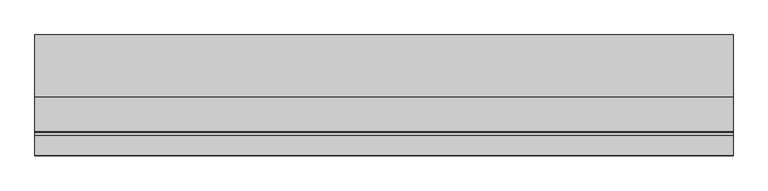
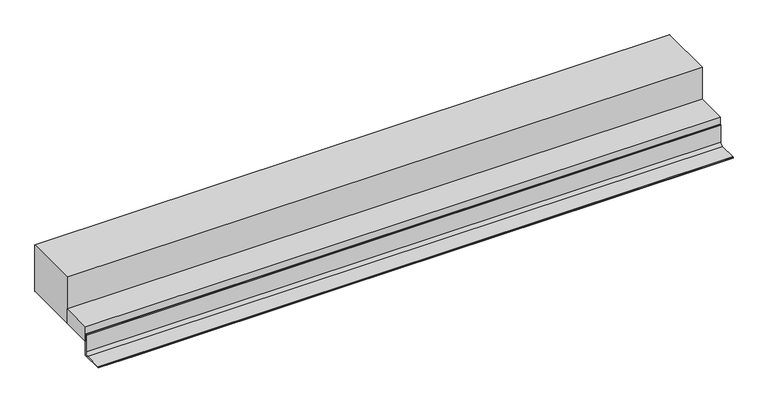
"""IFC4 building model written with IfcOpenShell, lengths in millimetres: beam geometry."""

from ifc_helpers import new_model, si_unit, frame, origin, place, context, project, spatial, polyline, circle_curve, faceted_brep, source, transform, mapped, element, save
from ifc_brep_helpers import plane_surface, cylinder_surface, revolved_surface, advanced_brep


def beam_786a66da(model_context):
    return source(origin(), model_context, "Body", "SolidModel", [
        advanced_brep(
        [(395.814718, -5275.0, 6000.0), (395.814718, -5275.0, 6002.4745866), (395.814718, -5272.4745866, 6005.0), (395.814718, -5193.0410426, 6005.0), (395.814718, -5180.0, 6018.0410426), (395.814718, -5180.0, 6097.211754), (395.814718, -5177.211754, 6100.0), (395.814718, -5175.0, 6100.0), (395.814718, -5175.0, 6065.0), (395.814718, -5175.0, 6000.0), (3229.185282, -5275.0, 6000.0), (3229.185282, -5175.0, 6000.0), (3229.185282, -5175.0, 6065.0), (3229.185282, -5175.0, 6100.0), (3229.185282, -5177.211754, 6100.0), (3229.185282, -5180.0, 6097.211754), (3229.185282, -5180.0, 6018.0410426), (3229.185282, -5193.0410426, 6005.0), (3229.185282, -5272.4745866, 6005.0), (3229.185282, -5275.0, 6002.4745866), (497.5, -5175.0, 6000.0), (1547.5, -5175.0, 6000.0), (2637.5, -5175.0, 6000.0), (2637.5, -5275.0, 6000.0), (1482.5, -5275.0, 6000.0), (562.5, -5275.0, 6000.0)],
        [
            (0, 1),
            (1, 2, circle_curve(frame((395.814718, -5272.4745866, 6002.4745866), z_axis=(-1.0, 0.0, 0.0), x_axis=(0.0, 1.0, 0.0)), 2.5254134)),
            (2, 3),
            (3, 4, circle_curve(frame((395.814718, -5193.0410426, 6018.0410426), z_axis=(1.0, 0.0, 0.0), x_axis=(0.0, 1.0, 0.0)), 13.0410426)),
            (4, 5),
            (5, 6, circle_curve(frame((395.814718, -5177.211754, 6097.211754), z_axis=(-1.0, 0.0, 0.0), x_axis=(0.0, 1.0, 0.0)), 2.788246)),
            (6, 7),
            (7, 8),
            (8, 9),
            (9, 0),
            (10, 11),
            (11, 12),
            (12, 13),
            (13, 14),
            (14, 15, circle_curve(frame((3229.185282, -5177.211754, 6097.211754), z_axis=(1.0, 0.0, 0.0), x_axis=(0.0, 1.0, 0.0)), 2.788246)),
            (15, 16),
            (16, 17, circle_curve(frame((3229.185282, -5193.0410426, 6018.0410426), z_axis=(-1.0, 0.0, 0.0), x_axis=(0.0, 1.0, 0.0)), 13.0410426)),
            (17, 18),
            (18, 19, circle_curve(frame((3229.185282, -5272.4745866, 6002.4745866), z_axis=(1.0, 0.0, 0.0), x_axis=(0.0, 1.0, 0.0)), 2.5254134)),
            (19, 10),
            (9, 20),
            (20, 21),
            (21, 22),
            (22, 11),
            (10, 23),
            (23, 24),
            (24, 25),
            (25, 0),
            (7, 13),
            (6, 14),
            (19, 1),
            (5, 15),
            (4, 16),
            (3, 17),
            (2, 18),
        ],
        [
            plane_surface(frame((395.814718, -5275.0, 6365.0), z_axis=(-1.0, 0.0, 0.0), x_axis=(0.0, 0.0, 1.0))),
            plane_surface(frame((3229.185282, -5275.0, 6365.0), z_axis=(1.0, 0.0, 0.0), x_axis=(0.0, 0.0, -1.0))),
            plane_surface(frame((395.814718, -5175.0, 6000.0), z_axis=(0.0, 0.0, -1.0), x_axis=(1.0, 0.0, 0.0))),
            plane_surface(frame((395.814718, -5175.0, 6100.0), z_axis=(0.0, 1.0, 0.0), x_axis=(1.0, 0.0, 0.0))),
            plane_surface(frame((395.814718, -5177.211754, 6100.0), z_axis=(0.0, 0.0, 1.0), x_axis=(1.0, 0.0, 0.0))),
            plane_surface(frame((395.814718, -5275.0, 6000.0), z_axis=(0.0, -1.0, 0.0), x_axis=(1.0, 0.0, 0.0))),
            cylinder_surface(frame((3229.185282, -5177.211754, 6097.211754), z_axis=(-1.0, 0.0, 0.0), x_axis=(0.0, 1.0, 0.0)), 2.788246),
            plane_surface(frame((395.814718, -5180.0, 6018.0410426), z_axis=(0.0, -1.0, 0.0), x_axis=(1.0, 0.0, 0.0))),
            revolved_surface(polyline([(3229.185282, -5180.0, 6018.0410426), (395.8147180000001, -5180.0, 6018.0410426)]), (3229.185282, -5193.0410426, 6018.0410426), (1.0, 0.0, 0.0)),
            plane_surface(frame((395.814718, -5272.4745866, 6005.0), z_axis=(0.0, 0.0, 1.0), x_axis=(1.0, 0.0, 0.0))),
            cylinder_surface(frame((3229.185282, -5272.4745866, 6002.4745866), z_axis=(-1.0, 0.0, 0.0), x_axis=(0.0, 1.0, 0.0)), 2.5254134),
        ],
        [
            (0, [[1, 2, 3, 4, 5, 6, 7, 8, 9, 10]]),
            (1, [[11, 12, 13, 14, 15, 16, 17, 18, 19, 20]]),
            (2, [[-10, 21, 22, 23, 24, -11, 25, 26, 27, 28]]),
            (3, [[-9, -8, 29, -13, -12, -24, -23, -22, -21]]),
            (4, [[-7, 30, -14, -29]]),
            (5, [[-1, -28, -27, -26, -25, -20, 31]]),
            (6, [[-6, 32, -15, -30]]),
            (7, [[-5, 33, -16, -32]]),
            (8, [[-4, 34, -17, -33]]),
            (9, [[-3, 35, -18, -34]]),
            (10, [[-2, -31, -19, -35]]),
        ],
    ),
        faceted_brep([(395.814718, -5175.0, 6065.0), (395.814718, -5175.0, 6100.0), (395.814718, -5175.0, 6133.9909984), (395.814718, -5035.0, 6133.9909984), (395.814718, -5035.0, 6065.0), (3229.185282, -5175.0, 6065.0), (3229.185282, -5035.0, 6065.0), (3229.185282, -5035.0, 6133.9909984), (3229.185282, -5175.0, 6133.9909984), (3229.185282, -5175.0, 6100.0), (1547.5, -5175.0, 6065.0), (497.5, -5175.0, 6065.0)], [[[0, 1, 2, 3, 4]], [[5, 6, 7, 8, 9]], [[0, 4, 6, 5, 10, 11]], [[4, 3, 7, 6]], [[3, 2, 8, 7]], [[2, 1, 0, 11, 10, 5, 9, 8]]]),
        faceted_brep([(395.814718, -5035.0, 6065.0), (395.814718, -5035.0, 6133.9909984), (395.814718, -5035.0, 6285.0), (395.814718, -4790.0, 6285.0), (395.814718, -4785.0, 6285.0), (395.814718, -4785.0, 6065.0), (395.814718, -4790.0, 6065.0), (3229.185282, -5035.0, 6065.0), (3229.185282, -4790.0, 6065.0), (3229.185282, -4785.0, 6065.0), (3229.185282, -4785.0, 6285.0), (3229.185282, -4790.0, 6285.0), (3229.185282, -5035.0, 6285.0), (3229.185282, -5035.0, 6133.9909984)], [[[0, 1, 2, 3, 4, 5, 6]], [[7, 8, 9, 10, 11, 12, 13]], [[0, 6, 5, 9, 8, 7]], [[5, 4, 10, 9]], [[4, 3, 2, 12, 11, 10]], [[2, 1, 0, 7, 13, 12]]]),
    ])


if __name__ == "__main__":
    model = new_model("IFC4")
    model_context = context("Model", 3, world=origin())
    ifc_project = project(units=[si_unit("LENGTHUNIT", "METRE", prefix="MILLI")], contexts=[model_context])
    site = spatial("IfcSite", under=ifc_project)
    building = spatial("IfcBuilding", under=site)
    placement = place(None, origin())
    beam_shape = beam_786a66da(model_context)
    element("IfcBeam", 1, at=placement, inside=building, context=model_context, shape_type="MappedRepresentation", body=[
        mapped(beam_shape, transform((0.0, 0.0, 0.0), x_axis=(1.0, 0.0, 0.0), y_axis=(0.0, 1.0, 0.0), z_axis=(0.0, 0.0, 1.0))),
    ])
    save(model, "model.ifc")
